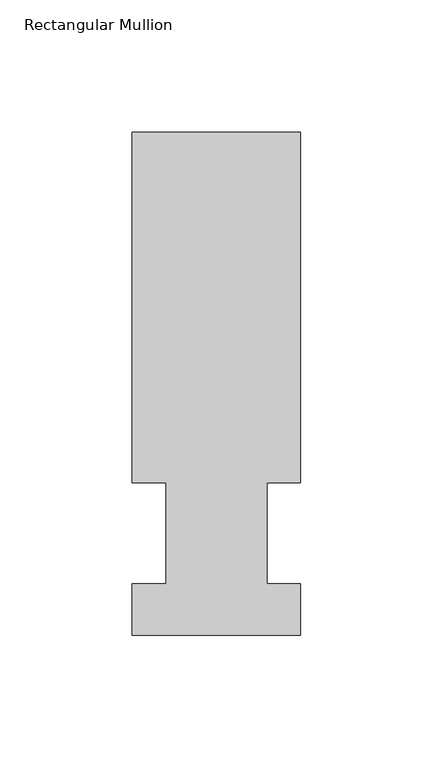
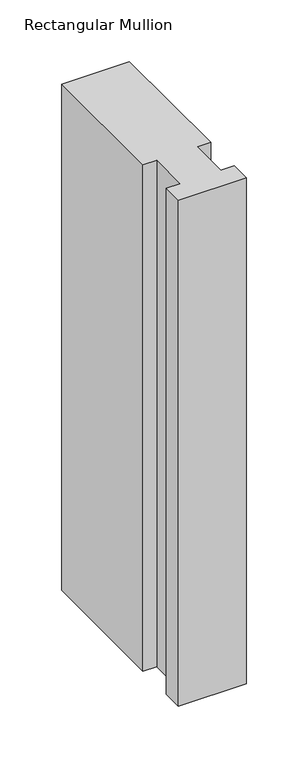
"""IFC4 building model written with IfcOpenShell, lengths in millimetres: member geometry, Rectangular Mullion."""

from ifc_helpers import new_model, si_unit, frame, origin, place, context, project, spatial, polyline, outline, extrude, source, transform, mapped, element, save


def rectangular_mullion_52a4e0a6(model_context):
    return source(origin(), model_context, "Body", "SweptSolid", [
        extrude(outline(polyline([(-1e-07, 0.0134938), (-63.5000001, 0.0134938), (-63.5000001, 19.5460938), (-50.8, 19.5460938), (-50.8, 57.6460937), (-63.5, 57.6460937), (-63.5, 189.8022938), (0.0, 189.8022938), (0.0, 57.6460937), (-12.6873001, 57.6460937), (-12.6873001, 19.5460938), (-1e-07, 19.5460938), (-1e-07, 0.0134938)])), frame((0.0, 0.0, -501.6499997), z_axis=(0.0, 0.0, 1.0), x_axis=(1.0, 0.0, 0.0)), (0.0, 0.0, 1.0), 501.6499997),
    ])


if __name__ == "__main__":
    model = new_model("IFC4")
    model_context = context("Model", 3, world=origin())
    ifc_project = project(units=[si_unit("LENGTHUNIT", "METRE", prefix="MILLI")], contexts=[model_context])
    site = spatial("IfcSite", under=ifc_project)
    building = spatial("IfcBuilding", under=site)
    placement = place(None, origin())
    rectangular_mullion_shape = rectangular_mullion_52a4e0a6(model_context)
    element("IfcMember", 1, ObjectType="Rectangular Mullion", at=placement, inside=building, context=model_context, shape_type="MappedRepresentation", body=[
        mapped(rectangular_mullion_shape, transform((0.0, 0.0, 0.0), x_axis=(1.0, 0.0, 0.0), y_axis=(0.0, 1.0, 0.0), z_axis=(0.0, 0.0, 1.0))),
    ])
    save(model, "model.ifc")
